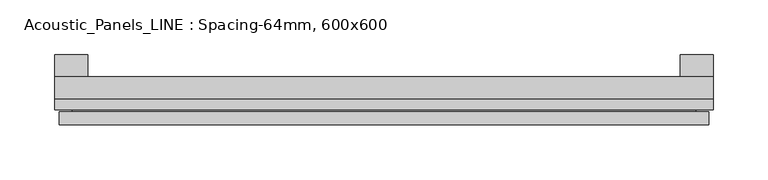
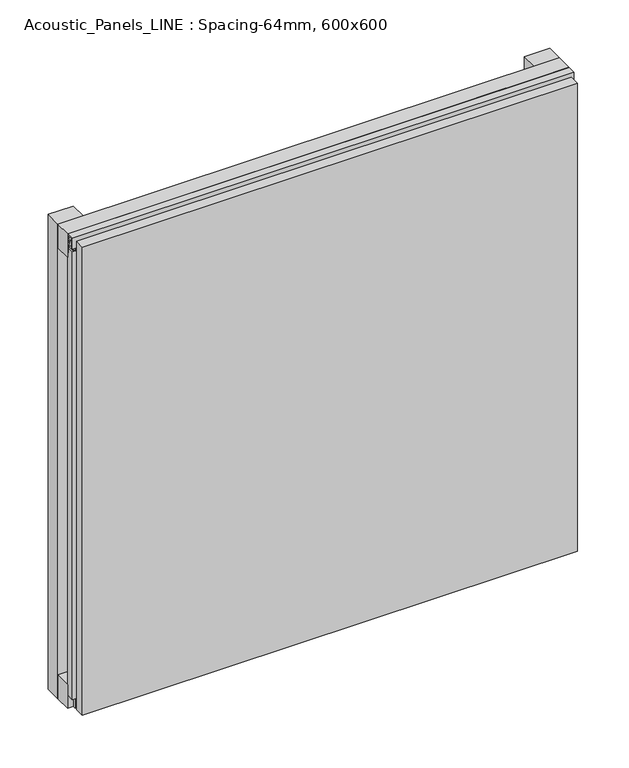
"""IFC4 building model written with IfcOpenShell, lengths in millimetres: plate geometry, Acoustic_Panels_LINE : Spacing-64mm, 600x600."""

from ifc_helpers import new_model, si_unit, frame, origin, origin_with_axes, place, context, project, spatial, polyline, outline, extrude, faceted_brep, source, transform, mapped, element, save


def acoustic_panels_line_spacing_64mm_600x600_3af63024(model_context):
    return source(origin(), model_context, "Body", "SolidModel", [
        extrude(outline(polyline([(-300.0, -40.0), (-300.0, -20.0), (300.0, -20.0), (300.0, -40.0), (-300.0, -40.0)])), frame((0.0, 0.0, 570.0), z_axis=(0.0, 0.0, 1.0), x_axis=(1.0, 0.0, 0.0)), (0.0, 0.0, 1.0), 30.0),
        extrude(outline(polyline([(-300.0, -40.0), (-300.0, -20.0), (300.0, -20.0), (300.0, -40.0), (-300.0, -40.0)])), origin_with_axes(), (0.0, 0.0, 1.0), 30.0),
        extrude(outline(polyline([(270.0, 0.0), (300.0, 0.0), (300.0, -20.0), (270.0, -20.0), (270.0, 0.0)])), origin_with_axes(), (0.0, 0.0, 1.0), 600.0),
        extrude(outline(polyline([(-270.0, 0.0), (-270.0, -20.0), (-300.0, -20.0), (-300.0, 0.0), (-270.0, 0.0)])), origin_with_axes(), (0.0, 0.0, 1.0), 600.0),
        extrude(outline(polyline([(-40.0, 593.700916), (-43.5, 593.700916), (-40.0553267, 584.6441401), (-40.0553267, 577.008452), (-41.4553267, 577.008452), (-41.4553267, 584.4296606), (-45.5140545, 595.100916), (-41.4, 595.100916), (-41.4, 598.5843193), (-48.7, 598.5843193), (-48.7, 586.5843193), (-50.1, 586.5843193), (-50.1, 600.0), (-40.0, 600.0), (-40.0, 593.700916)])), frame((-300.0, 0.0, 0.0), z_axis=(1.0, 0.0, 0.0), x_axis=(0.0, 1.0, 0.0)), (0.0, 0.0, 1.0), 600.0),
        extrude(outline(polyline([(-293.700916, -40.0), (-293.700916, -43.5), (-284.6441401, -40.0553267), (-277.008452, -40.0553267), (-277.008452, -41.4553267), (-284.4296606, -41.4553267), (-295.100916, -45.5140545), (-295.100916, -41.4), (-298.5843193, -41.4), (-298.5843193, -48.7), (-286.5843193, -48.7), (-286.5843193, -50.1), (-300.0, -50.1), (-300.0, -40.0), (-293.700916, -40.0)])), frame((0.0, 0.0, 16.9558599), z_axis=(0.0, 0.0, 1.0), x_axis=(1.0, 0.0, 0.0)), (0.0, 0.0, 1.0), 566.0882802),
        extrude(outline(polyline([(293.700916, -40.0), (300.0, -40.0), (300.0, -50.1), (286.5843193, -50.1), (286.5843193, -48.7), (298.5843193, -48.7), (298.5843193, -41.4), (295.100916, -41.4), (295.100916, -45.5140545), (284.4296606, -41.4553267), (277.008452, -41.4553267), (277.008452, -40.0553267), (284.6441401, -40.0553267), (293.700916, -43.5), (293.700916, -40.0)])), frame((0.0, 0.0, 16.9558599), z_axis=(0.0, 0.0, 1.0), x_axis=(1.0, 0.0, 0.0)), (0.0, 0.0, 1.0), 566.0882802),
        faceted_brep([(296.0, -45.9, 596.0), (-296.0, -45.9, 596.0), (-296.0, -48.7, 596.0), (296.0, -48.7, 596.0), (-296.0, -63.9, 596.0), (296.0, -63.9, 596.0), (296.0, -51.9, 596.0), (-296.0, -51.9, 596.0), (-296.0, -45.9, 4.0), (296.0, -45.9, 4.0), (296.0, -48.7, 4.0), (-296.0, -48.7, 4.0), (296.0, -63.9, 4.0), (-296.0, -63.9, 4.0), (-296.0, -51.9, 4.0), (296.0, -51.9, 4.0), (284.0, -51.9, 584.0), (284.0, -51.9, 16.0), (284.0, -48.7, 16.0), (284.0, -48.7, 584.0), (-284.0, -51.9, 16.0), (-284.0, -48.7, 16.0), (-284.0, -51.9, 584.0), (-284.0, -48.7, 584.0)], [[[0, 1, 2, 3]], [[4, 5, 6, 7]], [[8, 9, 10, 11]], [[12, 13, 14, 15]], [[1, 0, 9, 8]], [[1, 8, 11, 2]], [[13, 4, 7, 14]], [[5, 4, 13, 12]], [[9, 0, 3, 10]], [[5, 12, 15, 6]], [[16, 17, 18, 19]], [[18, 17, 20, 21]], [[21, 20, 22, 23]], [[16, 19, 23, 22]], [[7, 6, 15, 14], [17, 16, 22, 20]], [[3, 2, 11, 10], [19, 18, 21, 23]]]),
    ])


if __name__ == "__main__":
    model = new_model("IFC4")
    model_context = context("Model", 3, world=origin())
    ifc_project = project(units=[si_unit("LENGTHUNIT", "METRE", prefix="MILLI")], contexts=[model_context])
    site = spatial("IfcSite", under=ifc_project)
    building = spatial("IfcBuilding", under=site)
    placement = place(None, origin())
    acoustic_panels_line_spacing_64mm_600x600_shape = acoustic_panels_line_spacing_64mm_600x600_3af63024(model_context)
    element("IfcPlate", 1, ObjectType="Acoustic_Panels_LINE : Spacing-64mm, 600x600", at=placement, inside=building, context=model_context, shape_type="MappedRepresentation", body=[
        mapped(acoustic_panels_line_spacing_64mm_600x600_shape, transform((0.0, 0.0, 0.0), x_axis=(1.0, 0.0, 0.0), y_axis=(0.0, 1.0, 0.0), z_axis=(0.0, 0.0, 1.0))),
    ])
    save(model, "model.ifc")
